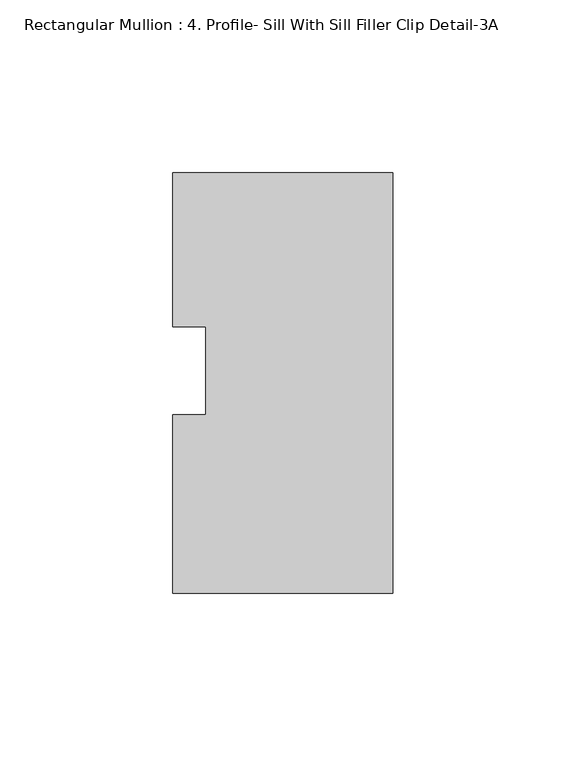
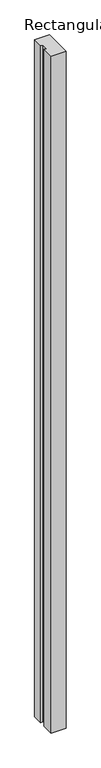
"""IFC4 building model written with IfcOpenShell, lengths in millimetres: member geometry, Rectangular Mullion : 4. Profile- Sill With Sill Filler Clip Detail-3A."""

from ifc_helpers import new_model, si_unit, frame, origin, place, context, project, spatial, polyline, outline, extrude, source, transform, mapped, element, save


def rectangular_mullion_4_profile_sill_with_sill_filler_clip_e6b67c3d(model_context):
    return source(origin(), model_context, "Body", "SweptSolid", [
        extrude(outline(polyline([(-63.5, 12.7181293), (-63.5, 57.141847), (0.0, 57.141847), (0.0, -64.295553), (-63.5, -64.295553), (-63.5, -12.7695691), (-53.975, -12.7695691), (-53.975, 12.7181293), (-63.5, 12.7181293)])), frame((0.0, 0.0, -3048.0), z_axis=(0.0, 0.0, 1.0), x_axis=(1.0, 0.0, 0.0)), (0.0, 0.0, 1.0), 3048.0),
    ])


if __name__ == "__main__":
    model = new_model("IFC4")
    model_context = context("Model", 3, world=origin())
    ifc_project = project(units=[si_unit("LENGTHUNIT", "METRE", prefix="MILLI")], contexts=[model_context])
    site = spatial("IfcSite", under=ifc_project)
    building = spatial("IfcBuilding", under=site)
    placement = place(None, origin())
    rectangular_mullion_4_profile_sill_with_sill_filler_clip_shape = rectangular_mullion_4_profile_sill_with_sill_filler_clip_e6b67c3d(model_context)
    element("IfcMember", 1, ObjectType="Rectangular Mullion : 4. Profile- Sill With Sill Filler Clip Detail-3A", at=placement, inside=building, context=model_context, shape_type="MappedRepresentation", body=[
        mapped(rectangular_mullion_4_profile_sill_with_sill_filler_clip_shape, transform((0.0, 0.0, 0.0), x_axis=(1.0, 0.0, 0.0), y_axis=(0.0, 1.0, 0.0), z_axis=(0.0, 0.0, 1.0))),
    ])
    save(model, "model.ifc")
